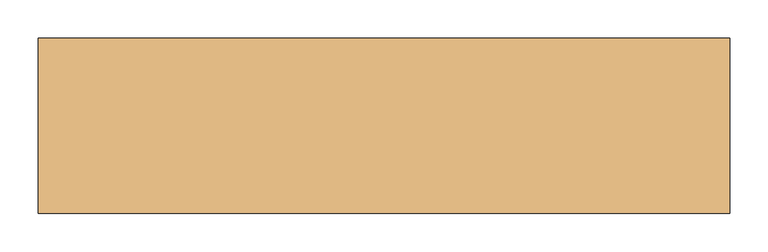
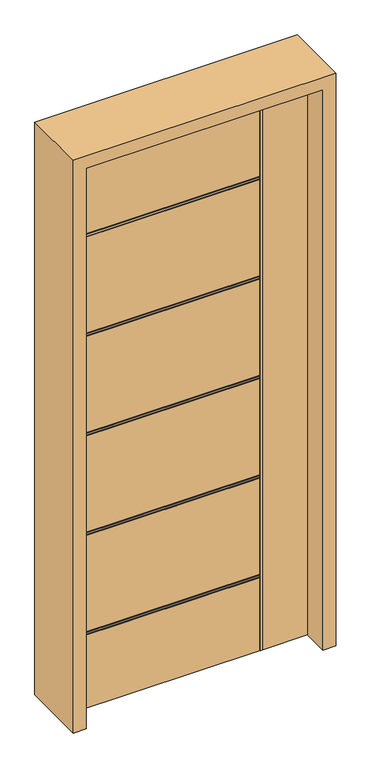
"""IFC4 building model written with IfcOpenShell, lengths in millimetres: door geometry."""

from ifc_helpers import new_model, si_unit, frame, origin, place, context, project, spatial, polyline, outline, extrude, faceted_brep, source, transform, mapped, element, save


def door_756e19d8(model_context):
    return source(origin(), model_context, "Body", "SolidModel", [
        faceted_brep([(-406.4, 22.225, 0.0), (241.3, 22.225, 0.0), (241.3, 18.923, 0.0), (244.602, 18.923, 0.0), (244.602, 22.225, 0.0), (250.698, 22.225, 0.0), (250.698, 18.923, 0.0), (254.0, 18.923, 0.0), (254.0, 22.225, 0.0), (406.4, 22.225, 0.0), (406.4, -22.225, 0.0), (254.0, -22.225, 0.0), (254.0, -18.923, 0.0), (250.698, -18.923, 0.0), (250.698, -22.225, 0.0), (244.602, -22.225, 0.0), (244.602, -18.923, 0.0), (241.3, -18.923, 0.0), (241.3, -22.225, 0.0), (-406.4, -22.225, 0.0), (-406.4, 22.225, 2032.0), (-406.4, 22.225, 1719.838), (-406.4, 18.923, 1719.838), (-406.4, 18.923, 1716.536), (-406.4, 22.225, 1716.536), (-406.4, 22.225, 1710.44), (-406.4, 18.923, 1710.44), (-406.4, 18.923, 1707.138), (-406.4, 22.225, 1707.138), (-406.4, 22.225, 1359.412), (-406.4, 18.923, 1359.412), (-406.4, 18.923, 1356.11), (-406.4, 22.225, 1356.11), (-406.4, 22.225, 1350.014), (-406.4, 18.923, 1350.014), (-406.4, 18.923, 1346.712), (-406.4, 22.225, 1346.712), (-406.4, 22.225, 998.986), (-406.4, 18.923, 998.986), (-406.4, 18.923, 995.684), (-406.4, 22.225, 995.684), (-406.4, 22.225, 989.588), (-406.4, 18.923, 989.588), (-406.4, 18.923, 986.286), (-406.4, 22.225, 986.286), (-406.4, 22.225, 638.56), (-406.4, 18.923, 638.56), (-406.4, 18.923, 635.258), (-406.4, 22.225, 635.258), (-406.4, 22.225, 629.162), (-406.4, 18.923, 629.162), (-406.4, 18.923, 625.86), (-406.4, 22.225, 625.86), (-406.4, 22.225, 278.134), (-406.4, 18.923, 278.134), (-406.4, 18.923, 274.832), (-406.4, 22.225, 274.832), (-406.4, 22.225, 268.736), (-406.4, 18.923, 268.736), (-406.4, 18.923, 265.434), (-406.4, 22.225, 265.434), (-406.4, -22.225, 265.434), (-406.4, -18.923, 265.434), (-406.4, -18.923, 268.736), (-406.4, -22.225, 268.736), (-406.4, -22.225, 274.832), (-406.4, -18.923, 274.832), (-406.4, -18.923, 278.134), (-406.4, -22.225, 278.134), (-406.4, -22.225, 625.86), (-406.4, -18.923, 625.86), (-406.4, -18.923, 629.162), (-406.4, -22.225, 629.162), (-406.4, -22.225, 635.258), (-406.4, -18.923, 635.258), (-406.4, -18.923, 638.56), (-406.4, -22.225, 638.56), (-406.4, -22.225, 986.286), (-406.4, -18.923, 986.286), (-406.4, -18.923, 989.588), (-406.4, -22.225, 989.588), (-406.4, -22.225, 995.684), (-406.4, -18.923, 995.684), (-406.4, -18.923, 998.986), (-406.4, -22.225, 998.986), (-406.4, -22.225, 1346.712), (-406.4, -18.923, 1346.712), (-406.4, -18.923, 1350.014), (-406.4, -22.225, 1350.014), (-406.4, -22.225, 1356.11), (-406.4, -18.923, 1356.11), (-406.4, -18.923, 1359.412), (-406.4, -22.225, 1359.412), (-406.4, -22.225, 1707.138), (-406.4, -18.923, 1707.138), (-406.4, -18.923, 1710.44), (-406.4, -22.225, 1710.44), (-406.4, -22.225, 1716.536), (-406.4, -18.923, 1716.536), (-406.4, -18.923, 1719.838), (-406.4, -22.225, 1719.838), (-406.4, -22.225, 2032.0), (241.3, -22.225, 1719.838), (241.3, -22.225, 2032.0), (241.3, -22.225, 265.434), (241.3, -22.225, 998.986), (241.3, -22.225, 1346.712), (241.3, -22.225, 989.588), (241.3, -22.225, 995.684), (241.3, -22.225, 638.56), (241.3, -22.225, 986.286), (241.3, -22.225, 629.162), (241.3, -22.225, 635.258), (241.3, -22.225, 278.134), (241.3, -22.225, 625.86), (241.3, -22.225, 268.736), (241.3, -22.225, 274.832), (244.602, -22.225, 2032.0), (250.698, -22.225, 2032.0), (241.3, -22.225, 1710.44), (241.3, -22.225, 1716.536), (241.3, -22.225, 1350.014), (241.3, -22.225, 1356.11), (241.3, -22.225, 1359.412), (241.3, -22.225, 1707.138), (406.4, -22.225, 2032.0), (254.0, -22.225, 2032.0), (406.4, 22.225, 2032.0), (254.0, 22.225, 2032.0), (241.3, 22.225, 265.434), (241.3, 22.225, 274.832), (241.3, 22.225, 268.736), (241.3, 22.225, 625.86), (241.3, 22.225, 278.134), (241.3, 22.225, 635.258), (241.3, 22.225, 629.162), (241.3, 22.225, 986.286), (241.3, 22.225, 638.56), (241.3, 22.225, 995.684), (241.3, 22.225, 989.588), (241.3, 22.225, 1346.712), (241.3, 22.225, 998.986), (241.3, 22.225, 2032.0), (241.3, 22.225, 1719.838), (250.698, 22.225, 2032.0), (244.602, 22.225, 2032.0), (241.3, 22.225, 1716.536), (241.3, 22.225, 1710.44), (241.3, 22.225, 1356.11), (241.3, 22.225, 1350.014), (241.3, 22.225, 1707.138), (241.3, 22.225, 1359.412), (254.0, 18.923, 2032.0), (250.698, 18.923, 2032.0), (244.602, 18.923, 2032.0), (241.3, 18.923, 2032.0), (241.3, -18.923, 2032.0), (244.602, -18.923, 2032.0), (250.698, -18.923, 2032.0), (254.0, -18.923, 2032.0), (241.3, -18.923, 265.434), (241.3, -18.923, 1719.838), (241.3, -18.923, 1716.536), (241.3, -18.923, 1710.44), (241.3, -18.923, 1707.138), (241.3, -18.923, 1359.412), (241.3, -18.923, 1356.11), (241.3, -18.923, 1350.014), (241.3, -18.923, 1346.712), (241.3, -18.923, 998.986), (241.3, -18.923, 995.684), (241.3, -18.923, 989.588), (241.3, -18.923, 986.286), (241.3, -18.923, 638.56), (241.3, -18.923, 635.258), (241.3, -18.923, 629.162), (241.3, -18.923, 625.86), (241.3, -18.923, 278.134), (241.3, -18.923, 274.832), (241.3, -18.923, 268.736), (241.3, 18.923, 265.434), (241.3, 18.923, 268.736), (241.3, 18.923, 274.832), (241.3, 18.923, 278.134), (241.3, 18.923, 625.86), (241.3, 18.923, 629.162), (241.3, 18.923, 635.258), (241.3, 18.923, 638.56), (241.3, 18.923, 986.286), (241.3, 18.923, 989.588), (241.3, 18.923, 995.684), (241.3, 18.923, 998.986), (241.3, 18.923, 1346.712), (241.3, 18.923, 1350.014), (241.3, 18.923, 1356.11), (241.3, 18.923, 1359.412), (241.3, 18.923, 1707.138), (241.3, 18.923, 1710.44), (241.3, 18.923, 1716.536), (241.3, 18.923, 1719.838)], [[[0, 1, 2, 3, 4, 5, 6, 7, 8, 9, 10, 11, 12, 13, 14, 15, 16, 17, 18, 19]], [[20, 21, 22, 23, 24, 25, 26, 27, 28, 29, 30, 31, 32, 33, 34, 35, 36, 37, 38, 39, 40, 41, 42, 43, 44, 45, 46, 47, 48, 49, 50, 51, 52, 53, 54, 55, 56, 57, 58, 59, 60, 0, 19, 61, 62, 63, 64, 65, 66, 67, 68, 69, 70, 71, 72, 73, 74, 75, 76, 77, 78, 79, 80, 81, 82, 83, 84, 85, 86, 87, 88, 89, 90, 91, 92, 93, 94, 95, 96, 97, 98, 99, 100, 101]], [[101, 100, 102, 103]], [[18, 104, 61, 19]], [[84, 105, 106, 85]], [[80, 107, 108, 81]], [[76, 109, 110, 77]], [[72, 111, 112, 73]], [[68, 113, 114, 69]], [[64, 115, 116, 65]], [[117, 15, 14, 118]], [[96, 119, 120, 97]], [[88, 121, 122, 89]], [[92, 123, 124, 93]], [[125, 126, 11, 10]], [[125, 10, 9, 127]], [[9, 8, 128, 127]], [[0, 60, 129, 1]], [[56, 130, 131, 57]], [[52, 132, 133, 53]], [[48, 134, 135, 49]], [[44, 136, 137, 45]], [[40, 138, 139, 41]], [[36, 140, 141, 37]], [[142, 143, 21, 20]], [[144, 5, 4, 145]], [[24, 146, 147, 25]], [[32, 148, 149, 33]], [[28, 150, 151, 29]], [[127, 128, 152, 153, 144, 145, 154, 155, 142, 20, 101, 103, 156, 157, 117, 118, 158, 159, 126, 125]], [[160, 104, 18, 17]], [[17, 16, 157, 156, 161, 99, 98, 162, 163, 95, 94, 164, 165, 91, 90, 166, 167, 87, 86, 168, 169, 83, 82, 170, 171, 79, 78, 172, 173, 75, 74, 174, 175, 71, 70, 176, 177, 67, 66, 178, 179, 63, 62, 160]], [[13, 12, 159, 158]], [[16, 15, 117, 157]], [[158, 118, 14, 13]], [[12, 11, 126, 159]], [[62, 61, 104, 160]], [[66, 65, 116, 178]], [[178, 116, 115, 179]], [[179, 115, 64, 63]], [[70, 69, 114, 176]], [[176, 114, 113, 177]], [[177, 113, 68, 67]], [[74, 73, 112, 174]], [[174, 112, 111, 175]], [[175, 111, 72, 71]], [[78, 77, 110, 172]], [[172, 110, 109, 173]], [[173, 109, 76, 75]], [[82, 81, 108, 170]], [[170, 108, 107, 171]], [[171, 107, 80, 79]], [[168, 106, 105, 169]], [[169, 105, 84, 83]], [[164, 124, 123, 165]], [[94, 93, 124, 164]], [[163, 119, 96, 95]], [[162, 120, 119, 163]], [[98, 97, 120, 162]], [[161, 102, 100, 99]], [[156, 103, 102, 161]], [[86, 85, 106, 168]], [[167, 121, 88, 87]], [[166, 122, 121, 167]], [[90, 89, 122, 166]], [[165, 123, 92, 91]], [[152, 128, 8, 7]], [[7, 6, 153, 152]], [[3, 2, 180, 59, 58, 181, 182, 55, 54, 183, 184, 51, 50, 185, 186, 47, 46, 187, 188, 43, 42, 189, 190, 39, 38, 191, 192, 35, 34, 193, 194, 31, 30, 195, 196, 27, 26, 197, 198, 23, 22, 199, 155, 154]], [[6, 5, 144, 153]], [[154, 145, 4, 3]], [[2, 1, 129, 180]], [[180, 129, 60, 59]], [[58, 57, 131, 181]], [[181, 131, 130, 182]], [[182, 130, 56, 55]], [[54, 53, 133, 183]], [[183, 133, 132, 184]], [[184, 132, 52, 51]], [[50, 49, 135, 185]], [[185, 135, 134, 186]], [[186, 134, 48, 47]], [[46, 45, 137, 187]], [[187, 137, 136, 188]], [[188, 136, 44, 43]], [[42, 41, 139, 189]], [[189, 139, 138, 190]], [[190, 138, 40, 39]], [[38, 37, 141, 191]], [[191, 141, 140, 192]], [[195, 151, 150, 196]], [[196, 150, 28, 27]], [[26, 25, 147, 197]], [[197, 147, 146, 198]], [[198, 146, 24, 23]], [[22, 21, 143, 199]], [[199, 143, 142, 155]], [[192, 140, 36, 35]], [[34, 33, 149, 193]], [[193, 149, 148, 194]], [[194, 148, 32, 31]], [[30, 29, 151, 195]]]),
        extrude(outline(polyline([(0.0, -406.4), (2032.0, -406.4), (2032.0, 406.4), (0.0, 406.4), (0.0, 450.85), (2076.45, 450.85), (2076.45, -450.85), (0.0, -450.85), (0.0, -406.4)])), frame((0.0, -114.3, 0.0), z_axis=(0.0, 1.0, 0.0), x_axis=(0.0, 0.0, 1.0)), (0.0, 0.0, 1.0), 228.6),
    ])


if __name__ == "__main__":
    model = new_model("IFC4")
    model_context = context("Model", 3, world=origin())
    ifc_project = project(units=[si_unit("LENGTHUNIT", "METRE", prefix="MILLI")], contexts=[model_context])
    site = spatial("IfcSite", under=ifc_project)
    building = spatial("IfcBuilding", under=site)
    placement = place(None, origin())
    door_shape = door_756e19d8(model_context)
    element("IfcDoor", 1, at=placement, inside=building, context=model_context, shape_type="MappedRepresentation", body=[
        mapped(door_shape, transform((0.0, 0.0, 0.0), x_axis=(1.0, 0.0, 0.0), y_axis=(0.0, 1.0, 0.0), z_axis=(0.0, 0.0, 1.0))),
    ])
    save(model, "model.ifc")
